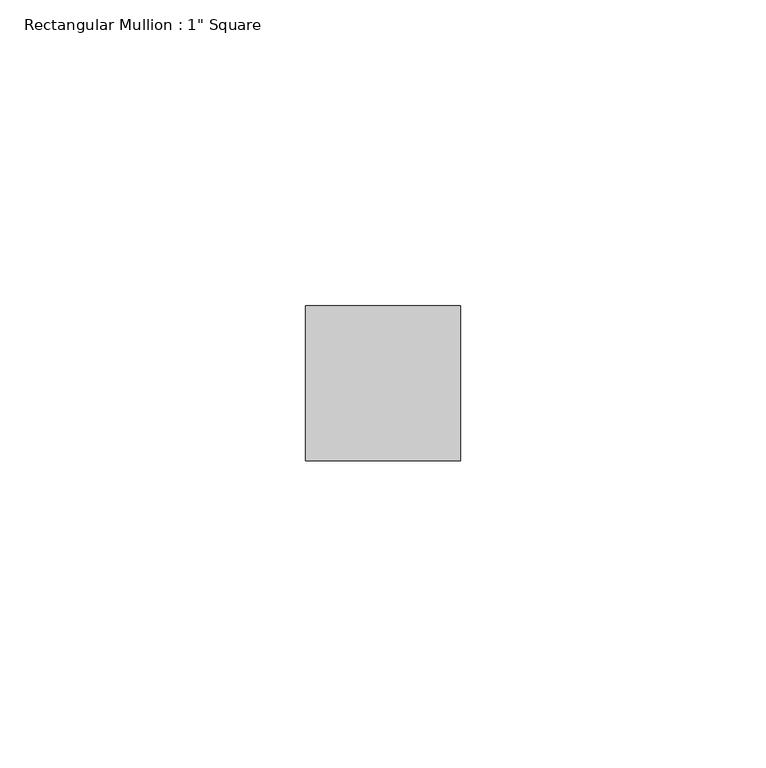
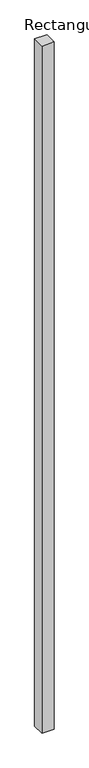
"""IFC4 building model written with IfcOpenShell, lengths in millimetres: member geometry."""

from ifc_helpers import new_model, si_unit, frame, origin, place, context, project, spatial, polyline, outline, extrude, source, transform, mapped, element, save


def member_9fd3d903(model_context):
    return source(origin(), model_context, "Body", "SweptSolid", [
        extrude(outline(polyline([(12.7, 12.7), (12.7, -12.7), (-12.7, -12.7), (-12.7, 12.7), (12.7, 12.7)])), frame((0.0, 0.0, -1498.6), z_axis=(0.0, 0.0, 1.0), x_axis=(1.0, 0.0, 0.0)), (0.0, 0.0, 1.0), 1498.6),
    ])


if __name__ == "__main__":
    model = new_model("IFC4")
    model_context = context("Model", 3, world=origin())
    ifc_project = project(units=[si_unit("LENGTHUNIT", "METRE", prefix="MILLI")], contexts=[model_context])
    site = spatial("IfcSite", under=ifc_project)
    building = spatial("IfcBuilding", under=site)
    placement = place(None, origin())
    member_shape = member_9fd3d903(model_context)
    element("IfcMember", 1, ObjectType="Rectangular Mullion : 1\" Square", at=placement, inside=building, context=model_context, shape_type="MappedRepresentation", body=[
        mapped(member_shape, transform((0.0, 0.0, 0.0), x_axis=(1.0, 0.0, 0.0), y_axis=(0.0, 1.0, 0.0), z_axis=(0.0, 0.0, 1.0))),
    ])
    save(model, "model.ifc")
